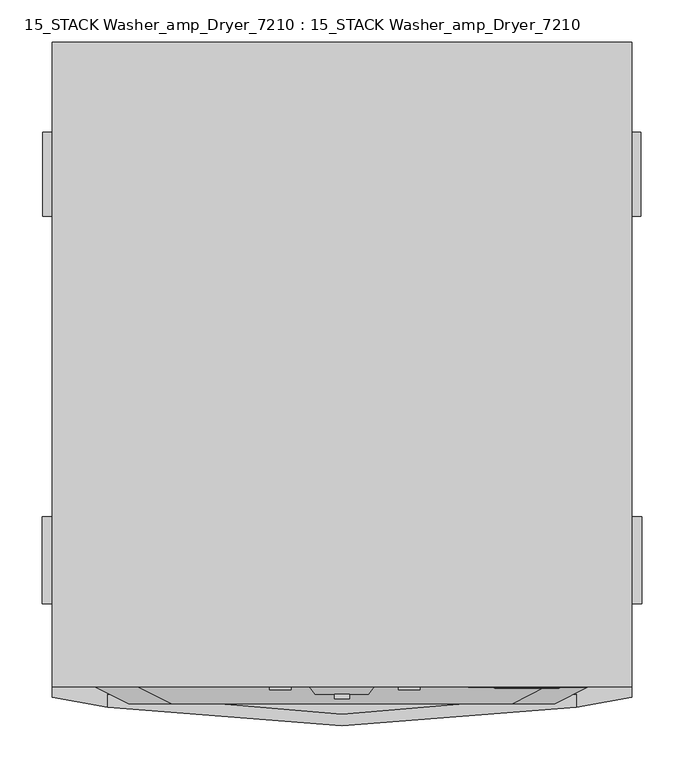
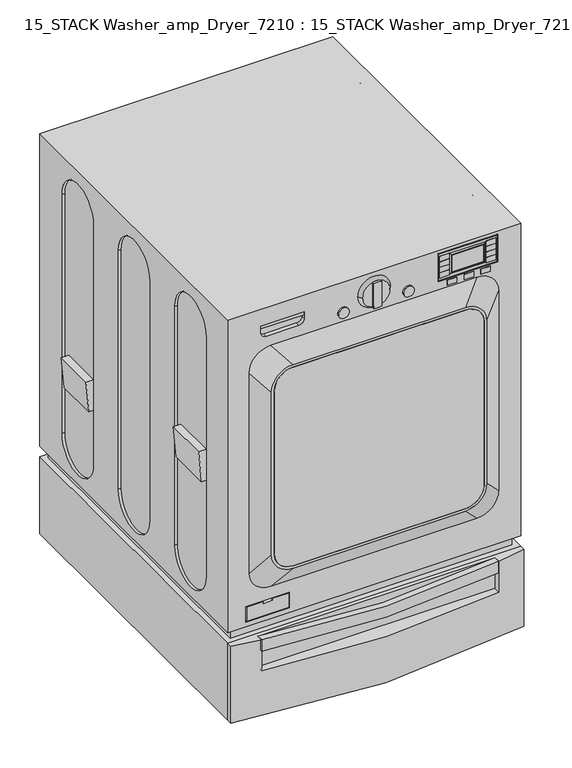
"""IFC4 building model written with IfcOpenShell, lengths in millimetres: proxy geometry, 15_STACK Washer_amp_Dryer_7210 : 15_STACK Washer_amp_Dryer_7210."""

from ifc_helpers import new_model, si_unit, point, frame, frame_2d, origin, place, context, project, spatial, polyline, circle_curve, trimmed, segment, composite_curve, outline, extrude, faceted_brep, source, transform, mapped, element, save
from ifc_brep_helpers import plane_surface, cylinder_surface, revolved_surface, extruded_surface, advanced_brep


def proxy_15_stack_washer_amp_dryer_7210_15_stack_washer_amp_a40c1b11(model_context):
    return source(origin(), model_context, "Body", "SolidModel", [
        extrude(outline(polyline([(192.1864685, -392.1599384), (169.5397716, -392.1599384), (169.5397716, -391.3732731), (192.1864685, -391.3732731), (192.1864685, -392.1599384)])), frame((0.0, 0.0, 962.3238204), z_axis=(0.0, 0.0, 1.0), x_axis=(1.0, 0.0, 0.0)), (0.0, 0.0, 1.0), 12.7),
        extrude(outline(polyline([(192.1864685, -392.1599384), (169.5397716, -392.1599384), (169.5397716, -391.3732731), (192.1864685, -391.3732731), (192.1864685, -392.1599384)])), frame((0.0, 0.0, 948.4616641), z_axis=(0.0, 0.0, 1.0), x_axis=(1.0, 0.0, 0.0)), (0.0, 0.0, 1.0), 12.7),
        extrude(outline(polyline([(192.1864685, -392.1599384), (169.5397716, -392.1599384), (169.5397716, -391.3732731), (192.1864685, -391.3732731), (192.1864685, -392.1599384)])), frame((0.0, 0.0, 935.046144), z_axis=(0.0, 0.0, 1.0), x_axis=(1.0, 0.0, 0.0)), (0.0, 0.0, 1.0), 12.7),
        extrude(outline(polyline([(192.1864685, -392.1599384), (169.5397716, -392.1599384), (169.5397716, -391.3732731), (192.1864685, -391.3732731), (192.1864685, -392.1599384)])), frame((0.0, 0.0, 921.4185599), z_axis=(0.0, 0.0, 1.0), x_axis=(1.0, 0.0, 0.0)), (0.0, 0.0, 1.0), 12.7),
        extrude(outline(polyline([(301.0896339, -392.1599384), (278.442937, -392.1599384), (278.442937, -391.3732731), (301.0896339, -391.3732731), (301.0896339, -392.1599384)])), frame((0.0, 0.0, 962.3238204), z_axis=(0.0, 0.0, 1.0), x_axis=(1.0, 0.0, 0.0)), (0.0, 0.0, 1.0), 12.7),
        extrude(outline(polyline([(301.0896339, -392.1599384), (278.442937, -392.1599384), (278.442937, -391.3732731), (301.0896339, -391.3732731), (301.0896339, -392.1599384)])), frame((0.0, 0.0, 948.4616641), z_axis=(0.0, 0.0, 1.0), x_axis=(1.0, 0.0, 0.0)), (0.0, 0.0, 1.0), 12.7),
        extrude(outline(polyline([(301.0896339, -392.1599384), (278.442937, -392.1599384), (278.442937, -391.3732731), (301.0896339, -391.3732731), (301.0896339, -392.1599384)])), frame((0.0, 0.0, 935.046144), z_axis=(0.0, 0.0, 1.0), x_axis=(1.0, 0.0, 0.0)), (0.0, 0.0, 1.0), 12.7),
        extrude(outline(polyline([(301.0896339, -392.1599384), (278.442937, -392.1599384), (278.442937, -391.3732731), (301.0896339, -391.3732731), (301.0896339, -392.1599384)])), frame((0.0, 0.0, 921.4185599), z_axis=(0.0, 0.0, 1.0), x_axis=(1.0, 0.0, 0.0)), (0.0, 0.0, 1.0), 12.7),
        extrude(outline(polyline([(209.4336321, -392.1599384), (186.7869352, -392.1599384), (186.7869352, -391.3732731), (209.4336321, -391.3732731), (209.4336321, -392.1599384)])), frame((0.0, 0.0, 897.1134332), z_axis=(0.0, 0.0, 1.0), x_axis=(1.0, 0.0, 0.0)), (0.0, 0.0, 1.0), 12.7),
        extrude(outline(polyline([(249.8008744, -392.1599384), (227.1541775, -392.1599384), (227.1541775, -391.3732731), (249.8008744, -391.3732731), (249.8008744, -392.1599384)])), frame((0.0, 0.0, 897.1134332), z_axis=(0.0, 0.0, 1.0), x_axis=(1.0, 0.0, 0.0)), (0.0, 0.0, 1.0), 12.7),
        extrude(outline(polyline([(287.9008744, -392.1599384), (265.2541775, -392.1599384), (265.2541775, -391.3732731), (287.9008744, -391.3732731), (287.9008744, -392.1599384)])), frame((0.0, 0.0, 897.1134332), z_axis=(0.0, 0.0, 1.0), x_axis=(1.0, 0.0, 0.0)), (0.0, 0.0, 1.0), 12.7),
        extrude(outline(polyline([(982.4557153, 305.6694554), (982.4557153, 165.9694554), (913.8673607, 165.9694554), (913.8673607, 305.6694554), (982.4557153, 305.6694554)]), holes=[polyline([(980.8682153, 304.0819554), (915.4548607, 304.0819554), (915.4548607, 167.5569554), (980.8682153, 167.5569554), (980.8682153, 304.0819554)])]), frame((0.0, -392.1599384, 0.0), z_axis=(0.0, 1.0, 0.0), x_axis=(0.0, 0.0, 1.0)), (0.0, 0.0, 1.0), 0.7866653),
        extrude(outline(polyline([(271.8272028, -393.1219667), (198.8022028, -393.1219667), (198.8022028, -391.3732731), (271.8272028, -391.3732731), (271.8272028, -393.1219667)])), frame((0.0, 0.0, 927.524038), z_axis=(0.0, 0.0, 1.0), x_axis=(1.0, 0.0, 0.0)), (0.0, 0.0, 1.0), 41.275),
        faceted_brep([(197.2147028, -393.1219667, 925.936538), (273.4147028, -393.1219667, 925.936538), (273.4147028, -393.1219667, 970.386538), (197.2147028, -393.1219667, 970.386538), (271.8272028, -393.1219667, 927.524038), (198.8022028, -393.1219667, 927.524038), (198.8022028, -393.1219667, 968.799038), (271.8272028, -393.1219667, 968.799038), (194.0397028, -391.3732731, 922.761538), (194.0397028, -391.3732731, 973.561538), (276.5897028, -391.3732731, 973.561538), (276.5897028, -391.3732731, 922.761538), (198.8022028, -391.3732731, 927.524038), (271.8272028, -391.3732731, 927.524038), (271.8272028, -391.3732731, 968.799038), (198.8022028, -391.3732731, 968.799038)], [[[0, 1, 2, 3], [4, 5, 6, 7]], [[8, 9, 10, 11], [12, 13, 14, 15]], [[1, 0, 8, 11]], [[2, 1, 11, 10]], [[3, 2, 10, 9]], [[0, 3, 9, 8]], [[12, 5, 4, 13]], [[5, 12, 15, 6]], [[6, 15, 14, 7]], [[13, 4, 7, 14]]]),
        extrude(outline(polyline([(-147.4867893, -391.3732731), (-249.0867893, -391.3732731), (-249.0867893, -381.8197028), (-147.4867893, -381.8197028), (-147.4867893, -391.3732731)])), frame((0.0, 0.0, 941.7444816), z_axis=(0.0, 0.0, 1.0), x_axis=(1.0, 0.0, 0.0)), (0.0, 0.0, 1.0), 6.35),
        extrude(outline(composite_curve([segment(trimmed(circle_curve(frame_2d((915.6229173, -56.4640076)), 12.7), [point((915.6229173, -43.7640076))], [point((915.6229173, -69.1640076))], False, "CARTESIAN"), True, "CONTINUOUS"), segment(trimmed(circle_curve(frame_2d((915.6229173, -56.4640076)), 12.7), [point((915.6229173, -69.1640076))], [point((915.6229173, -43.7640076))], False, "CARTESIAN"), True, "CONTINUOUS")], self_intersect=False)), frame((0.0, -395.0804825, 0.0), z_axis=(0.0, 1.0, 0.0), x_axis=(0.0, 0.0, 1.0)), (0.0, 0.0, 1.0), 3.7072094),
        extrude(outline(composite_curve([segment(trimmed(circle_curve(frame_2d((915.6229173, 95.9359924)), 12.7), [point((915.6229173, 108.6359924))], [point((915.6229173, 83.2359924))], False, "CARTESIAN"), True, "CONTINUOUS"), segment(trimmed(circle_curve(frame_2d((915.6229173, 95.9359924)), 12.7), [point((915.6229173, 83.2359924))], [point((915.6229173, 108.6359924))], False, "CARTESIAN"), True, "CONTINUOUS")], self_intersect=False)), frame((0.0, -395.0804825, 0.0), z_axis=(0.0, 1.0, 0.0), x_axis=(0.0, 0.0, 1.0)), (0.0, 0.0, 1.0), 3.7072094),
        extrude(outline(composite_curve([segment(trimmed(circle_curve(frame_2d((941.5956378, 16.4238057)), 31.75), [point((911.1609639, 7.3798503))], [point((911.1609639, 25.467761))], False, "CARTESIAN"), True, "CONTINUOUS"), segment(polyline([(911.1609639, 25.467761), (972.0303116, 25.467761)]), True, "CONTINUOUS"), segment(trimmed(circle_curve(frame_2d((941.5956378, 16.4238057)), 31.75), [point((972.0303116, 25.467761))], [point((972.0303116, 7.3798503))], False, "CARTESIAN"), True, "CONTINUOUS"), segment(polyline([(972.0303116, 7.3798503), (911.1609639, 7.3798503)]), True, "CONTINUOUS")], self_intersect=False)), frame((0.0, -405.6958172, 0.0), z_axis=(0.0, 1.0, 0.0), x_axis=(0.0, 0.0, 1.0)), (0.0, 0.0, 1.0), 5.5090694),
        advanced_brep(
        [(48.1738057, -400.1867478, 941.5956378), (-15.3261943, -400.1867478, 941.5956378), (54.5238057, -391.3732731, 941.5956378), (-21.6761943, -391.3732731, 941.5956378)],
        [
            (0, 1, circle_curve(frame((16.4238057, -400.1867478, 941.5956378), z_axis=(0.0, -1.0, 0.0), x_axis=(1.0, 0.0, 0.0)), 31.75)),
            (1, 0, circle_curve(frame((16.4238057, -400.1867478, 941.5956378), z_axis=(0.0, -1.0, 0.0), x_axis=(-1.0, 0.0, 0.0)), 31.75)),
            (2, 3, circle_curve(frame((16.4238057, -391.3732731, 941.5956378), z_axis=(0.0, 1.0, 0.0), x_axis=(-1.0, 0.0, 0.0)), 38.1)),
            (3, 2, circle_curve(frame((16.4238057, -391.3732731, 941.5956378), z_axis=(0.0, 1.0, 0.0), x_axis=(1.0, 0.0, 0.0)), 38.1)),
            (3, 1),
            (0, 2),
        ],
        [
            plane_surface(frame((16.4238057, -400.1867478, 941.5956378), z_axis=(0.0, -1.0, 0.0), x_axis=(0.0, 0.0, 1.0))),
            plane_surface(frame((16.4238057, -391.3732731, 941.5956378), z_axis=(0.0, 1.0, 0.0), x_axis=(0.0, 0.0, 1.0))),
            revolved_surface(polyline([(48.17380570000002, -400.1867478, 941.5956378), (54.5238057, -391.3732731, 941.5956378)]), (16.4238057, -444.2541213, 941.5956378), (0.0, 1.0, 0.0)),
            revolved_surface(polyline([(-15.326194300000019, -400.1867478, 941.5956378), (-21.676194299999995, -391.3732731, 941.5956378)]), (16.4238057, -444.2541213, 941.5956378), (0.0, 1.0, 0.0)),
        ],
        [
            (0, [[1, 2]]),
            (1, [[3, 4]]),
            (2, [[-4, 5, -1, 6]]),
            (3, [[-3, -6, -2, -5]]),
        ],
    ),
        extrude(outline(composite_curve([segment(trimmed(circle_curve(frame_2d((792.5152706, -185.0516499)), 44.45), [point((836.9652706, -185.0516499))], [point((792.5152706, -229.5016499))], False, "CARTESIAN"), True, "CONTINUOUS"), segment(polyline([(792.5152706, -229.5016499), (389.9650979, -229.5016499)]), True, "CONTINUOUS"), segment(trimmed(circle_curve(frame_2d((389.9650979, -185.0516499)), 44.45), [point((389.9650979, -229.5016499))], [point((345.5150979, -185.0516499))], False, "CARTESIAN"), True, "CONTINUOUS"), segment(polyline([(345.5150979, -185.0516499), (345.5150979, 217.8992612)]), True, "CONTINUOUS"), segment(trimmed(circle_curve(frame_2d((389.9650979, 217.8992612)), 44.45), [point((345.5150979, 217.8992612))], [point((389.9650979, 262.3492612))], False, "CARTESIAN"), True, "CONTINUOUS"), segment(polyline([(389.9650979, 262.3492612), (792.5152706, 262.3492612)]), True, "CONTINUOUS"), segment(trimmed(circle_curve(frame_2d((792.5152706, 217.8992612)), 44.45), [point((792.5152706, 262.3492612))], [point((836.9652706, 217.8992612))], False, "CARTESIAN"), True, "CONTINUOUS"), segment(polyline([(836.9652706, 217.8992612), (836.9652706, -185.0516499)]), True, "CONTINUOUS")], self_intersect=False)), frame((0.0, -411.6230196, 0.0), z_axis=(0.0, 1.0, 0.0), x_axis=(0.0, 0.0, 1.0)), (0.0, 0.0, 1.0), 5.9272024),
        advanced_brep(
        [(217.8992612, -411.6230196, 843.3152706), (-185.0516499, -411.6230196, 843.3152706), (-235.8516499, -411.6230196, 792.5152706), (-235.8516499, -411.6230196, 389.9650979), (-185.0516499, -411.6230196, 339.1650979), (217.8992612, -411.6230196, 339.1650979), (268.6992612, -411.6230196, 389.9650979), (268.6992612, -411.6230196, 792.5152706), (-185.0516499, -411.6230196, 836.9652706), (217.8992612, -411.6230196, 836.9652706), (262.3492612, -411.6230196, 792.5152706), (262.3492612, -411.6230196, 389.9650979), (217.8992612, -411.6230196, 345.5150979), (-185.0516499, -411.6230196, 345.5150979), (-229.5016499, -411.6230196, 389.9650979), (-229.5016499, -411.6230196, 792.5152706), (257.2504312, -391.3732731, 892.5912756), (308.0504312, -391.3732731, 841.7912756), (308.0504312, -391.3732731, 346.4912756), (257.2504312, -391.3732731, 295.6912756), (-225.3495688, -391.3732731, 295.6912756), (-276.1495688, -391.3732731, 346.4912756), (-276.1495688, -391.3732731, 841.7912756), (-225.3495688, -391.3732731, 892.5912756), (217.8992612, -391.3732731, 836.9652706), (-185.0516499, -391.3732731, 836.9652706), (-229.5016499, -391.3732731, 792.5152706), (-229.5016499, -391.3732731, 389.9650979), (-185.0516499, -391.3732731, 345.5150979), (217.8992612, -391.3732731, 345.5150979), (262.3492612, -391.3732731, 389.9650979), (262.3492612, -391.3732731, 792.5152706)],
        [
            (0, 1),
            (1, 2, circle_curve(frame((-185.0516499, -411.6230196, 792.5152706), z_axis=(0.0, -1.0, 0.0), x_axis=(-1.0, 0.0, 0.0)), 50.8)),
            (2, 3),
            (3, 4, circle_curve(frame((-185.0516499, -411.6230196, 389.9650979), z_axis=(0.0, -1.0, 0.0), x_axis=(-1.0, 0.0, 0.0)), 50.8)),
            (4, 5),
            (5, 6, circle_curve(frame((217.8992612, -411.6230196, 389.9650979), z_axis=(0.0, -1.0, 0.0), x_axis=(-1.0, 0.0, 0.0)), 50.8)),
            (6, 7),
            (7, 0, circle_curve(frame((217.8992612, -411.6230196, 792.5152706), z_axis=(0.0, -1.0, 0.0), x_axis=(-1.0, 0.0, 0.0)), 50.8)),
            (8, 9),
            (9, 10, circle_curve(frame((217.8992612, -411.6230196, 792.5152706), z_axis=(0.0, 1.0, 0.0), x_axis=(-1.0, 0.0, 0.0)), 44.45)),
            (10, 11),
            (11, 12, circle_curve(frame((217.8992612, -411.6230196, 389.9650979), z_axis=(0.0, 1.0, 0.0), x_axis=(-1.0, 0.0, 0.0)), 44.45)),
            (12, 13),
            (13, 14, circle_curve(frame((-185.0516499, -411.6230196, 389.9650979), z_axis=(0.0, 1.0, 0.0), x_axis=(-1.0, 0.0, 0.0)), 44.45)),
            (14, 15),
            (15, 8, circle_curve(frame((-185.0516499, -411.6230196, 792.5152706), z_axis=(0.0, 1.0, 0.0), x_axis=(-1.0, 0.0, 0.0)), 44.45)),
            (16, 17, circle_curve(frame((257.2504312, -391.3732731, 841.7912756), z_axis=(0.0, 1.0, 0.0), x_axis=(-1.0, 0.0, 0.0)), 50.8)),
            (17, 18),
            (18, 19, circle_curve(frame((257.2504312, -391.3732731, 346.4912756), z_axis=(0.0, 1.0, 0.0), x_axis=(-1.0, 0.0, 0.0)), 50.8)),
            (19, 20),
            (20, 21, circle_curve(frame((-225.3495688, -391.3732731, 346.4912756), z_axis=(0.0, 1.0, 0.0), x_axis=(-1.0, 0.0, 0.0)), 50.8)),
            (21, 22),
            (22, 23, circle_curve(frame((-225.3495688, -391.3732731, 841.7912756), z_axis=(0.0, 1.0, 0.0), x_axis=(-1.0, 0.0, 0.0)), 50.8)),
            (23, 16),
            (24, 25),
            (25, 26, circle_curve(frame((-185.0516499, -391.3732731, 792.5152706), z_axis=(0.0, -1.0, 0.0), x_axis=(-1.0, 0.0, 0.0)), 44.45)),
            (26, 27),
            (27, 28, circle_curve(frame((-185.0516499, -391.3732731, 389.9650979), z_axis=(0.0, -1.0, 0.0), x_axis=(-1.0, 0.0, 0.0)), 44.45)),
            (28, 29),
            (29, 30, circle_curve(frame((217.8992612, -391.3732731, 389.9650979), z_axis=(0.0, -1.0, 0.0), x_axis=(-1.0, 0.0, 0.0)), 44.45)),
            (30, 31),
            (31, 24, circle_curve(frame((217.8992612, -391.3732731, 792.5152706), z_axis=(0.0, -1.0, 0.0), x_axis=(-1.0, 0.0, 0.0)), 44.45)),
            (0, 16),
            (23, 1),
            (22, 2),
            (21, 3),
            (20, 4),
            (19, 5),
            (18, 6),
            (17, 7),
            (24, 9),
            (8, 25),
            (31, 10),
            (30, 11),
            (29, 12),
            (28, 13),
            (27, 14),
            (26, 15),
        ],
        [
            plane_surface(frame((16.4238057, -411.6230196, 591.2401843), z_axis=(0.0, -1.0, 0.0), x_axis=(-1.0, 0.0, 0.0))),
            plane_surface(frame((15.9504312, -391.3732731, 594.1412756), z_axis=(0.0, 1.0, 0.0), x_axis=(-1.0, 0.0, 0.0))),
            plane_surface(frame((15.9504312, -391.3732731, 892.5912756), z_axis=(0.0, -0.9249446823395122, 0.3801017424478068), x_axis=(-1.0, 0.0, 0.0))),
            extruded_surface(trimmed(circle_curve(frame((-225.3495688, -391.3732731, 841.7912756), z_axis=(0.0, -1.0, 0.0), x_axis=(-1.0, 0.0, 0.0)), 50.8), [point((-225.3495688, -391.3732731, 892.5912756))], [point((-276.1495688, -391.3732731, 841.7912756))], True, "CARTESIAN"), (40.297918899999985, -20.249746500000015, -49.27600499999994), 66.79894587300954),
            plane_surface(frame((-276.1495688, -391.3732731, 594.1412756), z_axis=(-0.4490005145290813, -0.8935314980193034, 0.0), x_axis=(0.0, 0.0, -1.0))),
            extruded_surface(trimmed(circle_curve(frame((-225.3495688, -391.3732731, 346.4912756), z_axis=(0.0, -1.0, 0.0), x_axis=(-1.0, 0.0, 0.0)), 50.8), [point((-276.1495688, -391.3732731, 346.4912756))], [point((-225.3495688, -391.3732731, 295.6912756))], True, "CARTESIAN"), (40.297918899999985, -20.249746500000015, 43.473822299999995), 62.64142180983136),
            plane_surface(frame((15.9504312, -391.3732731, 295.6912756), z_axis=(0.0, -0.9064868415441062, -0.4222340655458658), x_axis=(1.0, 0.0, 0.0))),
            extruded_surface(trimmed(circle_curve(frame((257.2504312, -391.3732731, 346.4912756), z_axis=(0.0, -1.0, 0.0), x_axis=(-1.0, 0.0, 0.0)), 50.8), [point((257.2504312, -391.3732731, 295.6912756))], [point((308.0504312, -391.3732731, 346.4912756))], True, "CARTESIAN"), (-39.35116999999997, -20.249746500000015, 43.473822299999995), 62.03660241385836),
            plane_surface(frame((308.0504312, -391.3732731, 594.1412756), z_axis=(0.4575624687590942, -0.8891774778878979, 0.0), x_axis=(0.0, 0.0, 1.0))),
            extruded_surface(trimmed(circle_curve(frame((257.2504312, -391.3732731, 841.7912756), z_axis=(0.0, -1.0, 0.0), x_axis=(-1.0, 0.0, 0.0)), 50.8), [point((308.0504312, -391.3732731, 841.7912756))], [point((257.2504312, -391.3732731, 892.5912756))], True, "CARTESIAN"), (-39.35116999999997, -20.249746500000015, -49.27600499999994), 66.23210311052473),
            plane_surface(frame((-185.0516499, -391.3732731, 836.9652706), z_axis=(0.0, 0.0, -1.0), x_axis=(0.0, -1.0, 0.0))),
            revolved_surface(polyline([(173.44926120000002, -391.3732731, 792.5152706), (173.44926120000002, -411.6230196, 792.5152706)]), (217.8992612, -411.6230196, 792.5152706), (0.0, 1.0, 0.0)),
            plane_surface(frame((262.3492612, -391.3732731, 792.5152706), z_axis=(-1.0, 0.0, 0.0), x_axis=(0.0, -1.0, 0.0))),
            revolved_surface(polyline([(173.44926120000002, -391.3732731, 389.9650979), (173.44926120000002, -411.6230196, 389.9650979)]), (217.8992612, -411.6230196, 389.9650979), (0.0, 1.0, 0.0)),
            plane_surface(frame((217.8992612, -391.3732731, 345.5150979), z_axis=(0.0, 0.0, 1.0), x_axis=(0.0, -1.0, 0.0))),
            revolved_surface(polyline([(-229.50164990000002, -391.3732731, 389.9650979), (-229.50164990000002, -411.6230196, 389.9650979)]), (-185.0516499, -411.6230196, 389.9650979), (0.0, 1.0, 0.0)),
            plane_surface(frame((-229.5016499, -391.3732731, 389.9650979), z_axis=(1.0, 0.0, 0.0), x_axis=(0.0, -1.0, 0.0))),
            revolved_surface(polyline([(-229.50164990000002, -391.3732731, 792.5152706), (-229.50164990000002, -411.6230196, 792.5152706)]), (-185.0516499, -411.6230196, 792.5152706), (0.0, 1.0, 0.0)),
        ],
        [
            (0, [[1, 2, 3, 4, 5, 6, 7, 8], [9, 10, 11, 12, 13, 14, 15, 16]]),
            (1, [[17, 18, 19, 20, 21, 22, 23, 24], [25, 26, 27, 28, 29, 30, 31, 32]]),
            (2, [[-1, 33, -24, 34]]),
            (3, [[-2, -34, -23, 35]]),
            (4, [[-3, -35, -22, 36]]),
            (5, [[-4, -36, -21, 37]]),
            (6, [[-5, -37, -20, 38]]),
            (7, [[-6, -38, -19, 39]]),
            (8, [[-7, -39, -18, 40]]),
            (9, [[-8, -40, -17, -33]]),
            (10, [[41, -9, 42, -25]]),
            (11, [[-41, -32, 43, -10]]),
            (12, [[-43, -31, 44, -11]]),
            (13, [[-44, -30, 45, -12]]),
            (14, [[-45, -29, 46, -13]]),
            (15, [[-46, -28, 47, -14]]),
            (16, [[-47, -27, 48, -15]]),
            (17, [[-42, -16, -48, -26]]),
        ],
    ),
        extrude(outline(polyline([(845.2401843, 14.454897), (845.2401843, -237.5761943), (593.0087237, -237.5761943), (589.4716448, -237.5761943), (337.2401843, -237.5761943), (337.2401843, 14.454897), (337.2401843, 18.3927143), (337.2401843, 270.4238057), (589.4716448, 270.4238057), (593.0087237, 270.4238057), (845.2401843, 270.4238057), (845.2401843, 18.3927143), (845.2401843, 14.454897)]), holes=[composite_curve([segment(polyline([(843.3152706, 14.454897), (843.3152706, 18.3927143)]), True, "CONTINUOUS"), segment(trimmed(circle_curve(frame_2d((593.0087237, 18.3927143)), 250.3065469), [point((843.3152706, 18.3927143))], [point((593.0087237, 268.6992612))], True, "CARTESIAN"), True, "CONTINUOUS"), segment(polyline([(593.0087237, 268.6992612), (589.4716448, 268.6992612)]), True, "CONTINUOUS"), segment(trimmed(circle_curve(frame_2d((589.4716448, 18.3927143)), 250.3065469), [point((589.4716448, 268.6992612))], [point((339.1650979, 18.3927143))], True, "CARTESIAN"), True, "CONTINUOUS"), segment(polyline([(339.1650979, 18.3927143), (339.1650979, 14.454897)]), True, "CONTINUOUS"), segment(trimmed(circle_curve(frame_2d((589.4716448, 14.454897)), 250.3065469), [point((339.1650979, 14.454897))], [point((589.4716448, -235.8516499))], True, "CARTESIAN"), True, "CONTINUOUS"), segment(polyline([(589.4716448, -235.8516499), (593.0087237, -235.8516499)]), True, "CONTINUOUS"), segment(trimmed(circle_curve(frame_2d((593.0087237, 14.454897)), 250.3065469), [point((593.0087237, -235.8516499))], [point((843.3152706, 14.454897))], True, "CARTESIAN"), True, "CONTINUOUS")], self_intersect=False)]), frame((0.0, -391.3732731, 0.0), z_axis=(0.0, 1.0, 0.0), x_axis=(0.0, 0.0, 1.0)), (0.0, 0.0, 1.0), 671.8529017),
        extrude(outline(composite_curve([segment(trimmed(circle_curve(frame_2d((16.4238057, 1338.5518595)), 1776.0413179), [point((293.796452, -415.6964632))], [point((-260.9488406, -415.6964632))], False, "CARTESIAN"), True, "CONTINUOUS"), segment(polyline([(-260.9488406, -415.6964632), (-260.9488406, -400.1867478)]), True, "CONTINUOUS"), segment(trimmed(circle_curve(frame_2d((16.4238057, 1212.6797326)), 1636.5432681), [point((-260.9488406, -400.1867478))], [point((293.796452, -400.1867478))], True, "CARTESIAN"), True, "CONTINUOUS"), segment(polyline([(293.796452, -400.1867478), (293.796452, -415.6964632)]), True, "CONTINUOUS")], self_intersect=False)), frame((0.0, 0.0, 162.0886186), z_axis=(0.0, 0.0, 1.0), x_axis=(1.0, 0.0, 0.0)), (0.0, 0.0, 1.0), 28.4113814),
        advanced_brep(
        [(359.3238057, -404.0732731, 190.5), (359.3238057, -391.3732731, 190.5), (-326.4761943, -391.3732731, 190.5), (-326.4761943, -404.0732731, 190.5), (-260.9488406, -415.6964632, 190.5), (-260.9488406, -400.1867478, 190.5), (293.796452, -400.1867478, 190.5), (293.796452, -415.6964632, 190.5), (-326.4761943, -404.0732731, 0.0), (-326.4761943, -391.3732731, 0.0), (359.3238057, -391.3732731, 0.0), (359.3238057, -404.0732731, 0.0), (293.796452, -415.6964632, 114.3), (-260.9488406, -415.6964632, 114.3), (293.796452, -400.1867478, 114.3), (-260.9488406, -400.1867478, 114.3)],
        [
            (0, 1),
            (1, 2),
            (2, 3),
            (3, 4, circle_curve(frame((16.4238057, 1338.5518595, 190.5), z_axis=(0.0, 0.0, 1.0), x_axis=(1.0, 0.0, 0.0)), 1776.0413179)),
            (4, 5),
            (5, 6),
            (6, 7),
            (7, 0, circle_curve(frame((16.4238057, 1338.5518595, 190.5), z_axis=(0.0, 0.0, 1.0), x_axis=(1.0, 0.0, 0.0)), 1776.0413179)),
            (8, 9),
            (9, 10),
            (10, 11),
            (11, 8, circle_curve(frame((16.4238057, 1338.5518595, 0.0), z_axis=(0.0, 0.0, -1.0), x_axis=(1.0, 0.0, 0.0)), 1776.0413179)),
            (11, 0),
            (7, 12),
            (12, 13, circle_curve(frame((16.4238057, 1338.5518595, 114.3), z_axis=(0.0, 0.0, -1.0), x_axis=(1.0, 0.0, 0.0)), 1776.0413179)),
            (13, 4),
            (3, 8),
            (10, 1),
            (9, 2),
            (14, 15),
            (15, 13),
            (12, 14),
            (14, 6),
            (5, 15),
        ],
        [
            plane_surface(frame((1792.4651235, 1338.5518595, 190.5), z_axis=(0.0, 0.0, 1.0), x_axis=(0.0, 1.0, 0.0))),
            plane_surface(frame((1792.4651235, 1338.5518595, 0.0), z_axis=(0.0, 0.0, -1.0), x_axis=(0.0, -1.0, 0.0))),
            cylinder_surface(frame((16.4238057, 1338.5518595, 0.0), z_axis=(0.0, 0.0, 1.0), x_axis=(1.0, 0.0, 0.0)), 1776.0413179),
            plane_surface(frame((359.3238057, -404.0732731, 190.5), z_axis=(1.0, 0.0, 0.0), x_axis=(0.0, 0.0, -1.0))),
            plane_surface(frame((359.3238057, -391.3732731, 190.5), z_axis=(0.0, 1.0, 0.0), x_axis=(0.0, 0.0, -1.0))),
            plane_surface(frame((-326.4761943, -391.3732731, 190.5), z_axis=(-1.0, 0.0, 0.0), x_axis=(0.0, 0.0, -1.0))),
            plane_surface(frame((-260.9488406, -400.1867478, 114.3), z_axis=(0.0, 0.0, 1.0), x_axis=(1.0, 0.0, 0.0))),
            plane_surface(frame((293.796452, -400.1867478, 190.5), z_axis=(0.0, -1.0, 0.0), x_axis=(0.0, 0.0, -1.0))),
            plane_surface(frame((-260.9488406, -400.1867478, 190.5), z_axis=(1.0, 0.0, 0.0), x_axis=(0.0, 0.0, -1.0))),
            plane_surface(frame((293.796452, -451.9200689, 190.5), z_axis=(-1.0, 0.0, 0.0), x_axis=(0.0, 0.0, -1.0))),
        ],
        [
            (0, [[1, 2, 3, 4, 5, 6, 7, 8]]),
            (1, [[9, 10, 11, 12]]),
            (2, [[-12, 13, -8, 14, 15, 16, -4, 17]]),
            (3, [[-1, -13, -11, 18]]),
            (4, [[-2, -18, -10, 19]]),
            (5, [[-3, -19, -9, -17]]),
            (6, [[20, 21, -15, 22]]),
            (7, [[-20, 23, -6, 24]]),
            (8, [[-24, -5, -16, -21]]),
            (9, [[-23, -22, -14, -7]]),
        ],
    ),
        extrude(outline(polyline([(609.1560344, 371.0733881), (609.1560344, 352.9738057), (532.7326651, 352.9738057), (532.7326651, 364.3872097), (609.1560344, 371.0733881)])), frame((0.0, -293.4032924, 0.0), z_axis=(0.0, 1.0, 0.0), x_axis=(0.0, 0.0, 1.0)), (0.0, 0.0, 1.0), 102.8389314),
        extrude(outline(polyline([(503.7382362, 370.4158475), (503.7382362, 352.9738057), (427.2297371, 352.9738057), (427.2297371, 363.7222212), (503.7382362, 370.4158475)])), frame((0.0, 165.1667412, 0.0), z_axis=(0.0, 1.0, 0.0), x_axis=(0.0, 0.0, 1.0)), (0.0, 0.0, 1.0), 98.958217),
        extrude(outline(polyline([(609.1560344, -338.2257768), (532.7326651, -331.5395983), (532.7326651, -320.1261943), (609.1560344, -320.1261943), (609.1560344, -338.2257768)])), frame((0.0, -293.4032924, 0.0), z_axis=(0.0, 1.0, 0.0), x_axis=(0.0, 0.0, 1.0)), (0.0, 0.0, 1.0), 102.8389314),
        extrude(outline(polyline([(503.7382362, -337.5682362), (427.2297371, -330.8746098), (427.2297371, -320.1261943), (503.7382362, -320.1261943), (503.7382362, -337.5682362)])), frame((0.0, 165.1667412, 0.0), z_axis=(0.0, 1.0, 0.0), x_axis=(0.0, 0.0, 1.0)), (0.0, 0.0, 1.0), 98.958217),
        advanced_brep(
        [(359.3238057, 370.6267269, 990.6), (-326.4761943, 370.6267269, 990.6), (-326.4761943, -391.3732731, 990.6), (359.3238057, -391.3732731, 990.6), (359.3238057, 370.6267269, 0.0), (359.3238057, -391.3732731, 0.0), (-326.4761943, -391.3732731, 0.0), (-326.4761943, 370.6267269, 0.0), (359.3238057, 370.6267269, 215.9), (-326.4761943, 370.6267269, 215.9), (-326.4761943, 370.6267269, 190.5), (359.3238057, 370.6267269, 190.5), (-326.4761943, -391.3732731, 215.9), (-326.4761943, -303.7203714, 894.4003538), (-326.4761943, -303.7203714, 302.6506252), (-326.4761943, -176.7203714, 302.6506252), (-326.4761943, -176.7203714, 894.4003538), (-326.4761943, -75.1203714, 894.4003538), (-326.4761943, -75.1203714, 302.6506252), (-326.4761943, 51.8796286, 302.6506252), (-326.4761943, 51.8796286, 894.4003538), (-326.4761943, 153.4796286, 894.4003538), (-326.4761943, 153.4796286, 302.6506252), (-326.4761943, 280.4796286, 302.6506252), (-326.4761943, 280.4796286, 894.4003538), (-326.4761943, -391.3732731, 190.5), (359.3238057, -391.3732731, 215.9), (270.4238057, -391.3732731, 845.2401843), (270.4238057, -391.3732731, 337.2401843), (-237.5761943, -391.3732731, 337.2401843), (-237.5761943, -391.3732731, 845.2401843), (-147.4867893, -391.3732731, 948.0944816), (-147.4867893, -391.3732731, 932.2194816), (-160.1867893, -391.3732731, 919.5194816), (-236.3867893, -391.3732731, 919.5194816), (-249.0867893, -391.3732731, 932.2194816), (-249.0867893, -391.3732731, 948.0944816), (-182.4104558, -391.3732731, 265.8018405), (-182.4104558, -391.3732731, 227.7018405), (-284.0104558, -391.3732731, 227.7018405), (-284.0104558, -391.3732731, 265.8018405), (359.3238057, -391.3732731, 190.5), (-183.9979558, -391.3732731, 229.2893405), (-183.9979558, -391.3732731, 264.2143405), (-220.5104558, -391.3732731, 264.2143405), (-220.5104558, -391.3732731, 259.4518405), (-242.7500821, -391.3732731, 259.4518405), (-242.7500821, -391.3732731, 264.2143405), (-282.4229558, -391.3732731, 264.2143405), (-282.4229558, -391.3732731, 229.2893405), (359.3238057, -303.7203714, 302.6506252), (359.3238057, -303.7203714, 894.4003538), (359.3238057, -176.7203714, 894.4003538), (359.3238057, -176.7203714, 302.6506252), (359.3238057, -75.1203714, 302.6506252), (359.3238057, -75.1203714, 894.4003538), (359.3238057, 51.8796286, 894.4003538), (359.3238057, 51.8796286, 302.6506252), (359.3238057, 153.4796286, 302.6506252), (359.3238057, 153.4796286, 894.4003538), (359.3238057, 280.4796286, 894.4003538), (359.3238057, 280.4796286, 302.6506252), (-313.7761943, -378.6732731, 190.5), (346.6238057, -378.6732731, 190.5), (346.6238057, -378.6732731, 215.9), (-313.7761943, -378.6732731, 215.9), (346.6238057, 357.9267269, 190.5), (346.6238057, 357.9267269, 215.9), (-313.7761943, 357.9267269, 190.5), (-313.7761943, 357.9267269, 215.9), (-320.1261943, -303.7203714, 894.4003538), (-320.1261943, -176.7203714, 894.4003538), (-320.1261943, -176.7203714, 302.6506252), (-320.1261943, -303.7203714, 302.6506252), (-320.1261943, -75.1203714, 894.4003538), (-320.1261943, 51.8796286, 894.4003538), (-320.1261943, 51.8796286, 302.6506252), (-320.1261943, -75.1203714, 302.6506252), (-320.1261943, 153.4796286, 894.4003538), (-320.1261943, 280.4796286, 894.4003538), (-320.1261943, 280.4796286, 302.6506252), (-320.1261943, 153.4796286, 302.6506252), (352.9738057, -303.7203714, 894.4003538), (352.9738057, -303.7203714, 302.6506252), (352.9738057, -176.7203714, 302.6506252), (352.9738057, -176.7203714, 894.4003538), (352.9738057, -75.1203714, 894.4003538), (352.9738057, -75.1203714, 302.6506252), (352.9738057, 51.8796286, 302.6506252), (352.9738057, 51.8796286, 894.4003538), (352.9738057, 153.4796286, 894.4003538), (352.9738057, 153.4796286, 302.6506252), (352.9738057, 280.4796286, 302.6506252), (352.9738057, 280.4796286, 894.4003538), (270.4238057, 280.4796286, 845.2401843), (-237.5761943, 280.4796286, 845.2401843), (-237.5761943, 280.4796286, 337.2401843), (270.4238057, 280.4796286, 337.2401843), (-147.4867893, -381.8197028, 948.0944816), (-249.0867893, -381.8197028, 948.0944816), (-249.0867893, -381.8197028, 932.2194816), (-236.3867893, -381.8197028, 919.5194816), (-160.1867893, -381.8197028, 919.5194816), (-147.4867893, -381.8197028, 932.2194816), (-182.4104558, -378.6732731, 265.8018405), (-284.0104558, -378.6732731, 265.8018405), (-284.0104558, -378.6732731, 227.7018405), (-182.4104558, -378.6732731, 227.7018405), (-183.9979558, -378.6732731, 229.2893405), (-282.4229558, -378.6732731, 229.2893405), (-282.4229558, -378.6732731, 264.2143405), (-242.7500821, -378.6732731, 264.2143405), (-242.7500821, -378.6732731, 259.4518405), (-220.5104558, -378.6732731, 259.4518405), (-220.5104558, -378.6732731, 264.2143405), (-183.9979558, -378.6732731, 264.2143405)],
        [
            (0, 1),
            (1, 2),
            (2, 3),
            (3, 0),
            (4, 5),
            (5, 6),
            (6, 7),
            (7, 4),
            (0, 8),
            (8, 9),
            (9, 1),
            (7, 10),
            (10, 11),
            (11, 4),
            (9, 12),
            (12, 2),
            (13, 14),
            (14, 15, circle_curve(frame((-326.4761943, -240.2203714, 302.6506252), z_axis=(1.0, 0.0, 0.0), x_axis=(0.0, -1.0, 0.0)), 63.5)),
            (15, 16),
            (16, 13, circle_curve(frame((-326.4761943, -240.2203714, 894.4003538), z_axis=(1.0, 0.0, 0.0), x_axis=(0.0, -1.0, 0.0)), 63.5)),
            (17, 18),
            (18, 19, circle_curve(frame((-326.4761943, -11.6203714, 302.6506252), z_axis=(1.0, 0.0, 0.0), x_axis=(0.0, -1.0, 0.0)), 63.5)),
            (19, 20),
            (20, 17, circle_curve(frame((-326.4761943, -11.6203714, 894.4003538), z_axis=(1.0, 0.0, 0.0), x_axis=(0.0, -1.0, 0.0)), 63.5)),
            (21, 22),
            (22, 23, circle_curve(frame((-326.4761943, 216.9796286, 302.6506252), z_axis=(1.0, 0.0, 0.0), x_axis=(0.0, -1.0, 0.0)), 63.5)),
            (23, 24),
            (24, 21, circle_curve(frame((-326.4761943, 216.9796286, 894.4003538), z_axis=(1.0, 0.0, 0.0), x_axis=(0.0, -1.0, 0.0)), 63.5)),
            (6, 25),
            (25, 10),
            (12, 26),
            (26, 3),
            (27, 28),
            (28, 29),
            (29, 30),
            (30, 27),
            (31, 32),
            (32, 33, circle_curve(frame((-160.1867893, -391.3732731, 932.2194816), z_axis=(0.0, 1.0, 0.0), x_axis=(1.0, 0.0, 0.0)), 12.7)),
            (33, 34),
            (34, 35, circle_curve(frame((-236.3867893, -391.3732731, 932.2194816), z_axis=(0.0, 1.0, 0.0), x_axis=(1.0, 0.0, 0.0)), 12.7)),
            (35, 36),
            (36, 31),
            (37, 38),
            (38, 39),
            (39, 40),
            (40, 37),
            (5, 41),
            (41, 25),
            (42, 43),
            (43, 44),
            (44, 45),
            (45, 46),
            (46, 47),
            (47, 48),
            (48, 49),
            (49, 42),
            (26, 8),
            (50, 51),
            (51, 52, circle_curve(frame((359.3238057, -240.2203714, 894.4003538), z_axis=(-1.0, 0.0, 0.0), x_axis=(0.0, -1.0, 0.0)), 63.5)),
            (52, 53),
            (53, 50, circle_curve(frame((359.3238057, -240.2203714, 302.6506252), z_axis=(-1.0, 0.0, 0.0), x_axis=(0.0, -1.0, 0.0)), 63.5)),
            (54, 55),
            (55, 56, circle_curve(frame((359.3238057, -11.6203714, 894.4003538), z_axis=(-1.0, 0.0, 0.0), x_axis=(0.0, -1.0, 0.0)), 63.5)),
            (56, 57),
            (57, 54, circle_curve(frame((359.3238057, -11.6203714, 302.6506252), z_axis=(-1.0, 0.0, 0.0), x_axis=(0.0, -1.0, 0.0)), 63.5)),
            (58, 59),
            (59, 60, circle_curve(frame((359.3238057, 216.9796286, 894.4003538), z_axis=(-1.0, 0.0, 0.0), x_axis=(0.0, -1.0, 0.0)), 63.5)),
            (60, 61),
            (61, 58, circle_curve(frame((359.3238057, 216.9796286, 302.6506252), z_axis=(-1.0, 0.0, 0.0), x_axis=(0.0, -1.0, 0.0)), 63.5)),
            (11, 41),
            (62, 63),
            (63, 64),
            (64, 65),
            (65, 62),
            (63, 66),
            (66, 67),
            (67, 64),
            (66, 68),
            (68, 69),
            (69, 67),
            (69, 65),
            (68, 62),
            (70, 71, circle_curve(frame((-320.1261943, -240.2203714, 894.4003538), z_axis=(-1.0, 0.0, 0.0), x_axis=(0.0, -1.0, 0.0)), 63.5)),
            (71, 72),
            (72, 73, circle_curve(frame((-320.1261943, -240.2203714, 302.6506252), z_axis=(-1.0, 0.0, 0.0), x_axis=(0.0, -1.0, 0.0)), 63.5)),
            (73, 70),
            (74, 75, circle_curve(frame((-320.1261943, -11.6203714, 894.4003538), z_axis=(-1.0, 0.0, 0.0), x_axis=(0.0, -1.0, 0.0)), 63.5)),
            (75, 76),
            (76, 77, circle_curve(frame((-320.1261943, -11.6203714, 302.6506252), z_axis=(-1.0, 0.0, 0.0), x_axis=(0.0, -1.0, 0.0)), 63.5)),
            (77, 74),
            (78, 79, circle_curve(frame((-320.1261943, 216.9796286, 894.4003538), z_axis=(-1.0, 0.0, 0.0), x_axis=(0.0, -1.0, 0.0)), 63.5)),
            (79, 80),
            (80, 81, circle_curve(frame((-320.1261943, 216.9796286, 302.6506252), z_axis=(-1.0, 0.0, 0.0), x_axis=(0.0, -1.0, 0.0)), 63.5)),
            (81, 78),
            (73, 14),
            (13, 70),
            (72, 15),
            (71, 16),
            (77, 18),
            (17, 74),
            (76, 19),
            (75, 20),
            (81, 22),
            (21, 78),
            (80, 23),
            (79, 24),
            (82, 83),
            (83, 84, circle_curve(frame((352.9738057, -240.2203714, 302.6506252), z_axis=(1.0, 0.0, 0.0), x_axis=(0.0, -1.0, 0.0)), 63.5)),
            (84, 85),
            (85, 82, circle_curve(frame((352.9738057, -240.2203714, 894.4003538), z_axis=(1.0, 0.0, 0.0), x_axis=(0.0, -1.0, 0.0)), 63.5)),
            (86, 87),
            (87, 88, circle_curve(frame((352.9738057, -11.6203714, 302.6506252), z_axis=(1.0, 0.0, 0.0), x_axis=(0.0, -1.0, 0.0)), 63.5)),
            (88, 89),
            (89, 86, circle_curve(frame((352.9738057, -11.6203714, 894.4003538), z_axis=(1.0, 0.0, 0.0), x_axis=(0.0, -1.0, 0.0)), 63.5)),
            (90, 91),
            (91, 92, circle_curve(frame((352.9738057, 216.9796286, 302.6506252), z_axis=(1.0, 0.0, 0.0), x_axis=(0.0, -1.0, 0.0)), 63.5)),
            (92, 93),
            (93, 90, circle_curve(frame((352.9738057, 216.9796286, 894.4003538), z_axis=(1.0, 0.0, 0.0), x_axis=(0.0, -1.0, 0.0)), 63.5)),
            (85, 52),
            (51, 82),
            (84, 53),
            (83, 50),
            (89, 56),
            (55, 86),
            (88, 57),
            (87, 54),
            (93, 60),
            (59, 90),
            (92, 61),
            (91, 58),
            (94, 95),
            (95, 96),
            (96, 97),
            (97, 94),
            (97, 28),
            (27, 94),
            (96, 29),
            (95, 30),
            (98, 99),
            (99, 100),
            (100, 101, circle_curve(frame((-236.3867893, -381.8197028, 932.2194816), z_axis=(0.0, -1.0, 0.0), x_axis=(1.0, 0.0, 0.0)), 12.7)),
            (101, 102),
            (102, 103, circle_curve(frame((-160.1867893, -381.8197028, 932.2194816), z_axis=(0.0, -1.0, 0.0), x_axis=(1.0, 0.0, 0.0)), 12.7)),
            (103, 98),
            (103, 32),
            (31, 98),
            (102, 33),
            (101, 34),
            (100, 35),
            (99, 36),
            (104, 105),
            (105, 106),
            (106, 107),
            (107, 104),
            (108, 109),
            (109, 110),
            (110, 111),
            (111, 112),
            (112, 113),
            (113, 114),
            (114, 115),
            (115, 108),
            (107, 38),
            (37, 104),
            (106, 39),
            (105, 40),
            (115, 43),
            (42, 108),
            (114, 44),
            (113, 45),
            (112, 46),
            (111, 47),
            (110, 48),
            (109, 49),
        ],
        [
            plane_surface(frame((-326.4761943, 370.6267269, 990.6), z_axis=(0.0, 0.0, 1.0), x_axis=(-1.0, 0.0, 0.0))),
            plane_surface(frame((-326.4761943, 370.6267269, 0.0), z_axis=(0.0, 0.0, -1.0), x_axis=(1.0, 0.0, 0.0))),
            plane_surface(frame((359.3238057, 370.6267269, 990.6), z_axis=(0.0, 1.0, 0.0), x_axis=(0.0, 0.0, -1.0))),
            plane_surface(frame((-326.4761943, 370.6267269, 990.6), z_axis=(-1.0, 0.0, 0.0), x_axis=(0.0, 0.0, -1.0))),
            plane_surface(frame((-326.4761943, -391.3732731, 990.6), z_axis=(0.0, -1.0, 0.0), x_axis=(0.0, 0.0, -1.0))),
            plane_surface(frame((359.3238057, -391.3732731, 990.6), z_axis=(1.0, 0.0, 0.0), x_axis=(0.0, 0.0, -1.0))),
            plane_surface(frame((-313.7761943, -378.6732731, 215.9), z_axis=(0.0, -1.0, 0.0), x_axis=(1.0, 0.0, 0.0))),
            plane_surface(frame((346.6238057, -378.6732731, 215.9), z_axis=(1.0, 0.0, 0.0), x_axis=(0.0, 1.0, 0.0))),
            plane_surface(frame((346.6238057, 357.9267269, 215.9), z_axis=(0.0, 1.0, 0.0), x_axis=(-1.0, 0.0, 0.0))),
            plane_surface(frame((-326.4761943, 370.6267269, 215.9), z_axis=(0.0, 0.0, -1.0), x_axis=(0.0, -1.0, 0.0))),
            plane_surface(frame((-313.7761943, 357.9267269, 215.9), z_axis=(-1.0, 0.0, 0.0), x_axis=(0.0, -1.0, 0.0))),
            plane_surface(frame((-313.7761943, 357.9267269, 190.5), z_axis=(0.0, 0.0, 1.0), x_axis=(0.0, -1.0, 0.0))),
            plane_surface(frame((-320.1261943, -303.7203714, 302.6506252), z_axis=(-1.0, 0.0, 0.0), x_axis=(0.0, 0.0, -1.0))),
            plane_surface(frame((-320.1261943, -303.7203714, 894.4003538), z_axis=(0.0, 1.0, 0.0), x_axis=(-1.0, 0.0, 0.0))),
            revolved_surface(polyline([(-320.1261943, -303.7203714, 302.6506252), (-326.4761943, -303.7203714, 302.6506252)]), (-326.4761943, -240.2203714, 302.6506252), (1.0, 0.0, 0.0)),
            plane_surface(frame((-320.1261943, -176.7203714, 302.6506252), z_axis=(0.0, -1.0, 0.0), x_axis=(-1.0, 0.0, 0.0))),
            revolved_surface(polyline([(-320.1261943, -303.7203714, 894.4003538), (-326.4761943, -303.7203714, 894.4003538)]), (-326.4761943, -240.2203714, 894.4003538), (1.0, 0.0, 0.0)),
            plane_surface(frame((-320.1261943, -75.1203714, 894.4003538), z_axis=(0.0, 1.0, 0.0), x_axis=(-1.0, 0.0, 0.0))),
            revolved_surface(polyline([(-320.1261943, -75.1203714, 302.6506252), (-326.4761943, -75.1203714, 302.6506252)]), (-326.4761943, -11.6203714, 302.6506252), (1.0, 0.0, 0.0)),
            plane_surface(frame((-320.1261943, 51.8796286, 302.6506252), z_axis=(0.0, -1.0, 0.0), x_axis=(-1.0, 0.0, 0.0))),
            revolved_surface(polyline([(-320.1261943, -75.1203714, 894.4003538), (-326.4761943, -75.1203714, 894.4003538)]), (-326.4761943, -11.6203714, 894.4003538), (1.0, 0.0, 0.0)),
            plane_surface(frame((-320.1261943, 153.4796286, 894.4003538), z_axis=(0.0, 1.0, 0.0), x_axis=(-1.0, 0.0, 0.0))),
            revolved_surface(polyline([(-320.1261943, 153.4796286, 302.6506252), (-326.4761943, 153.4796286, 302.6506252)]), (-326.4761943, 216.9796286, 302.6506252), (1.0, 0.0, 0.0)),
            plane_surface(frame((-320.1261943, 280.4796286, 302.6506252), z_axis=(0.0, -1.0, 0.0), x_axis=(-1.0, 0.0, 0.0))),
            revolved_surface(polyline([(-320.1261943, 153.4796286, 894.4003538), (-326.4761943, 153.4796286, 894.4003538)]), (-326.4761943, 216.9796286, 894.4003538), (1.0, 0.0, 0.0)),
            plane_surface(frame((352.9738057, -303.7203714, 894.4003538), z_axis=(1.0, 0.0, 0.0), x_axis=(0.0, 0.0, 1.0))),
            revolved_surface(polyline([(352.9738057, -303.7203714, 894.4003538), (359.3238057, -303.7203714, 894.4003538)]), (359.3238057, -240.2203714, 894.4003538), (-1.0, 0.0, 0.0)),
            plane_surface(frame((352.9738057, -176.7203714, 894.4003538), z_axis=(0.0, -1.0, 0.0), x_axis=(1.0, 0.0, 0.0))),
            revolved_surface(polyline([(352.9738057, -303.7203714, 302.6506252), (359.3238057, -303.7203714, 302.6506252)]), (359.3238057, -240.2203714, 302.6506252), (-1.0, 0.0, 0.0)),
            plane_surface(frame((352.9738057, -303.7203714, 302.6506252), z_axis=(0.0, 1.0, 0.0), x_axis=(1.0, 0.0, 0.0))),
            revolved_surface(polyline([(352.9738057, -75.1203714, 894.4003538), (359.3238057, -75.1203714, 894.4003538)]), (359.3238057, -11.6203714, 894.4003538), (-1.0, 0.0, 0.0)),
            plane_surface(frame((352.9738057, 51.8796286, 894.4003538), z_axis=(0.0, -1.0, 0.0), x_axis=(1.0, 0.0, 0.0))),
            revolved_surface(polyline([(352.9738057, -75.1203714, 302.6506252), (359.3238057, -75.1203714, 302.6506252)]), (359.3238057, -11.6203714, 302.6506252), (-1.0, 0.0, 0.0)),
            plane_surface(frame((352.9738057, -75.1203714, 302.6506252), z_axis=(0.0, 1.0, 0.0), x_axis=(1.0, 0.0, 0.0))),
            revolved_surface(polyline([(352.9738057, 153.4796286, 894.4003538), (359.3238057, 153.4796286, 894.4003538)]), (359.3238057, 216.9796286, 894.4003538), (-1.0, 0.0, 0.0)),
            plane_surface(frame((352.9738057, 280.4796286, 894.4003538), z_axis=(0.0, -1.0, 0.0), x_axis=(1.0, 0.0, 0.0))),
            revolved_surface(polyline([(352.9738057, 153.4796286, 302.6506252), (359.3238057, 153.4796286, 302.6506252)]), (359.3238057, 216.9796286, 302.6506252), (-1.0, 0.0, 0.0)),
            plane_surface(frame((352.9738057, 153.4796286, 302.6506252), z_axis=(0.0, 1.0, 0.0), x_axis=(1.0, 0.0, 0.0))),
            plane_surface(frame((270.4238057, 280.4796286, 810.845977), z_axis=(0.0, -1.0, 0.0), x_axis=(0.0, 0.0, -1.0))),
            plane_surface(frame((270.4238057, 280.4796286, 845.2401843), z_axis=(-1.0, 0.0, 0.0), x_axis=(0.0, -1.0, 0.0))),
            plane_surface(frame((270.4238057, 280.4796286, 337.2401843), z_axis=(0.0, 0.0, 1.0), x_axis=(0.0, -1.0, 0.0))),
            plane_surface(frame((-237.5761943, 280.4796286, 337.2401843), z_axis=(1.0, 0.0, 0.0), x_axis=(0.0, -1.0, 0.0))),
            plane_surface(frame((-237.5761943, 280.4796286, 845.2401843), z_axis=(0.0, 0.0, -1.0), x_axis=(0.0, -1.0, 0.0))),
            plane_surface(frame((-147.4867893, -381.8197028, 948.0944816), z_axis=(0.0, -1.0, 0.0), x_axis=(0.0, 0.0, -1.0))),
            plane_surface(frame((-147.4867893, -381.8197028, 948.0944816), z_axis=(-1.0, 0.0, 0.0), x_axis=(0.0, -1.0, 0.0))),
            revolved_surface(polyline([(-147.4867893, -381.8197028, 932.2194816), (-147.4867893, -391.3732731, 932.2194816)]), (-160.1867893, -391.3732731, 932.2194816), (0.0, 1.0, 0.0)),
            plane_surface(frame((-160.1867893, -381.8197028, 919.5194816), z_axis=(0.0, 0.0, 1.0), x_axis=(0.0, -1.0, 0.0))),
            revolved_surface(polyline([(-223.68678930000002, -381.8197028, 932.2194816), (-223.68678930000002, -391.3732731, 932.2194816)]), (-236.3867893, -391.3732731, 932.2194816), (0.0, 1.0, 0.0)),
            plane_surface(frame((-249.0867893, -381.8197028, 932.2194816), z_axis=(1.0, 0.0, 0.0), x_axis=(0.0, -1.0, 0.0))),
            plane_surface(frame((-249.0867893, -381.8197028, 948.0944816), z_axis=(0.0, 0.0, -1.0), x_axis=(0.0, -1.0, 0.0))),
            plane_surface(frame((-182.4104558, -378.6732731, 265.8018405), z_axis=(0.0, -1.0, 0.0), x_axis=(0.0, 0.0, -1.0))),
            plane_surface(frame((-182.4104558, -378.6732731, 265.8018405), z_axis=(-1.0, 0.0, 0.0), x_axis=(0.0, -1.0, 0.0))),
            plane_surface(frame((-182.4104558, -378.6732731, 227.7018405), z_axis=(0.0, 0.0, 1.0), x_axis=(0.0, -1.0, 0.0))),
            plane_surface(frame((-284.0104558, -378.6732731, 227.7018405), z_axis=(1.0, 0.0, 0.0), x_axis=(0.0, -1.0, 0.0))),
            plane_surface(frame((-284.0104558, -378.6732731, 265.8018405), z_axis=(0.0, 0.0, -1.0), x_axis=(0.0, -1.0, 0.0))),
            plane_surface(frame((-183.9979558, -378.6732731, 229.2893405), z_axis=(1.0, 0.0, 0.0), x_axis=(0.0, -1.0, 0.0))),
            plane_surface(frame((-183.9979558, -378.6732731, 264.2143405), z_axis=(0.0, 0.0, 1.0), x_axis=(0.0, -1.0, 0.0))),
            plane_surface(frame((-220.5104558, -378.6732731, 264.2143405), z_axis=(-1.0, 0.0, 0.0), x_axis=(0.0, -1.0, 0.0))),
            plane_surface(frame((-220.5104558, -378.6732731, 259.4518405), z_axis=(0.0, 0.0, 1.0), x_axis=(0.0, -1.0, 0.0))),
            plane_surface(frame((-242.7500821, -378.6732731, 259.4518405), z_axis=(1.0, 0.0, 0.0), x_axis=(0.0, -1.0, 0.0))),
            plane_surface(frame((-242.7500821, -378.6732731, 264.2143405), z_axis=(0.0, 0.0, 1.0), x_axis=(0.0, -1.0, 0.0))),
            plane_surface(frame((-282.4229558, -378.6732731, 264.2143405), z_axis=(-1.0, 0.0, 0.0), x_axis=(0.0, -1.0, 0.0))),
            plane_surface(frame((-282.4229558, -378.6732731, 229.2893405), z_axis=(0.0, 0.0, -1.0), x_axis=(0.0, -1.0, 0.0))),
        ],
        [
            (0, [[1, 2, 3, 4]]),
            (1, [[5, 6, 7, 8]]),
            (2, [[-1, 9, 10, 11]]),
            (2, [[-8, 12, 13, 14]]),
            (3, [[-2, -11, 15, 16], [17, 18, 19, 20], [21, 22, 23, 24], [25, 26, 27, 28]]),
            (3, [[-7, 29, 30, -12]]),
            (4, [[-3, -16, 31, 32], [33, 34, 35, 36], [37, 38, 39, 40, 41, 42], [43, 44, 45, 46]]),
            (4, [[-6, 47, 48, -29]]),
            (4, [[49, 50, 51, 52, 53, 54, 55, 56]]),
            (5, [[-4, -32, 57, -9], [58, 59, 60, 61], [62, 63, 64, 65], [66, 67, 68, 69]]),
            (5, [[-5, -14, 70, -47]]),
            (6, [[71, 72, 73, 74]]),
            (7, [[-72, 75, 76, 77]]),
            (8, [[-76, 78, 79, 80]]),
            (9, [[-10, -57, -31, -15], [-73, -77, -80, 81]]),
            (10, [[-74, -81, -79, 82]]),
            (11, [[-13, -30, -48, -70], [-71, -82, -78, -75]]),
            (12, [[83, 84, 85, 86]]),
            (12, [[87, 88, 89, 90]]),
            (12, [[91, 92, 93, 94]]),
            (13, [[-86, 95, -17, 96]]),
            (14, [[-85, 97, -18, -95]]),
            (15, [[-84, 98, -19, -97]]),
            (16, [[-83, -96, -20, -98]]),
            (17, [[-90, 99, -21, 100]]),
            (18, [[-89, 101, -22, -99]]),
            (19, [[-88, 102, -23, -101]]),
            (20, [[-87, -100, -24, -102]]),
            (21, [[-94, 103, -25, 104]]),
            (22, [[-93, 105, -26, -103]]),
            (23, [[-92, 106, -27, -105]]),
            (24, [[-91, -104, -28, -106]]),
            (25, [[107, 108, 109, 110]]),
            (25, [[111, 112, 113, 114]]),
            (25, [[115, 116, 117, 118]]),
            (26, [[-110, 119, -59, 120]]),
            (27, [[-109, 121, -60, -119]]),
            (28, [[-108, 122, -61, -121]]),
            (29, [[-107, -120, -58, -122]]),
            (30, [[-114, 123, -63, 124]]),
            (31, [[-113, 125, -64, -123]]),
            (32, [[-112, 126, -65, -125]]),
            (33, [[-111, -124, -62, -126]]),
            (34, [[-118, 127, -67, 128]]),
            (35, [[-117, 129, -68, -127]]),
            (36, [[-116, 130, -69, -129]]),
            (37, [[-115, -128, -66, -130]]),
            (38, [[131, 132, 133, 134]]),
            (39, [[-134, 135, -33, 136]]),
            (40, [[-133, 137, -34, -135]]),
            (41, [[-132, 138, -35, -137]]),
            (42, [[-131, -136, -36, -138]]),
            (43, [[139, 140, 141, 142, 143, 144]]),
            (44, [[-144, 145, -37, 146]]),
            (45, [[-143, 147, -38, -145]]),
            (46, [[-142, 148, -39, -147]]),
            (47, [[-141, 149, -40, -148]]),
            (48, [[-140, 150, -41, -149]]),
            (49, [[-139, -146, -42, -150]]),
            (50, [[151, 152, 153, 154], [155, 156, 157, 158, 159, 160, 161, 162]]),
            (51, [[-154, 163, -43, 164]]),
            (52, [[-153, 165, -44, -163]]),
            (53, [[-152, 166, -45, -165]]),
            (54, [[-151, -164, -46, -166]]),
            (55, [[-162, 167, -49, 168]]),
            (56, [[-161, 169, -50, -167]]),
            (57, [[-160, 170, -51, -169]]),
            (58, [[-159, 171, -52, -170]]),
            (59, [[-158, 172, -53, -171]]),
            (60, [[-157, 173, -54, -172]]),
            (61, [[-156, 174, -55, -173]]),
            (62, [[-155, -168, -56, -174]]),
        ],
    ),
    ])


if __name__ == "__main__":
    model = new_model("IFC4")
    model_context = context("Model", 3, world=origin())
    ifc_project = project(units=[si_unit("LENGTHUNIT", "METRE", prefix="MILLI")], contexts=[model_context])
    site = spatial("IfcSite", under=ifc_project)
    building = spatial("IfcBuilding", under=site)
    placement = place(None, origin())
    proxy_15_stack_washer_amp_dryer_7210_15_stack_washer_amp_shape = proxy_15_stack_washer_amp_dryer_7210_15_stack_washer_amp_a40c1b11(model_context)
    element("IfcBuildingElementProxy", 1, Name="15_STACK Washer_amp_Dryer_7210 : 15_STACK Washer_amp_Dryer_7210", ObjectType="15_STACK Washer_amp_Dryer_7210 : 15_STACK Washer_amp_Dryer_7210", at=placement, inside=building, context=model_context, shape_type="MappedRepresentation", body=[
        mapped(proxy_15_stack_washer_amp_dryer_7210_15_stack_washer_amp_shape, transform((0.0, 0.0, 0.0), x_axis=(1.0, 0.0, 0.0), y_axis=(0.0, 1.0, 0.0), z_axis=(0.0, 0.0, 1.0))),
    ])
    save(model, "model.ifc")
